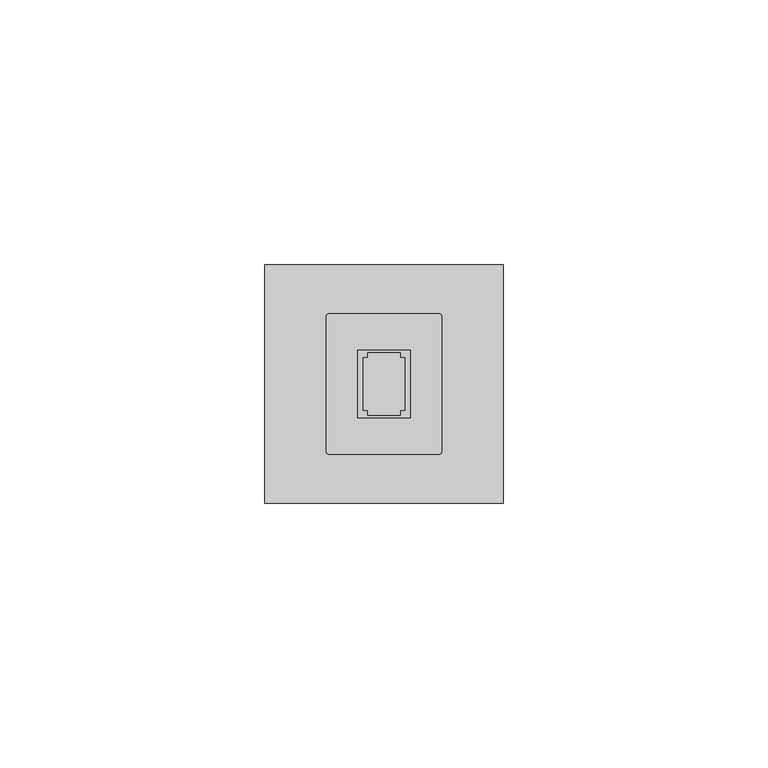
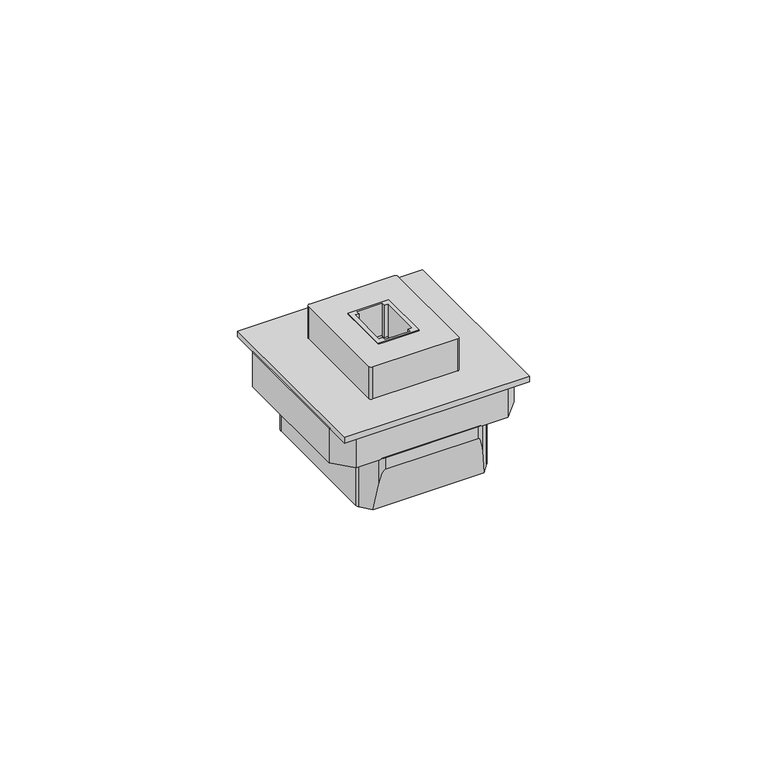
"""IFC4 building model written with IfcOpenShell, lengths in millimetres: proxy geometry."""

from ifc_helpers import new_model, si_unit, point, frame, frame_2d, origin, origin_with_axes, place, context, project, spatial, polyline, circle_curve, ellipse_curve, trimmed, segment, composite_curve, outline, extrude, source, transform, mapped, element, save
from ifc_brep_helpers import plane_surface, cylinder_surface, advanced_brep


def electrical_fixtures_430fafd6(model_context):
    return source(origin(), model_context, "Body", "SolidModel", [
        extrude(outline(polyline([(27.448899, 28.8841401), (27.448899, 16.1158599), (17.551101, 16.1158599), (17.551101, 28.8841401), (27.448899, 28.8841401)]), holes=[polyline([(19.4303416, 28.3841401), (19.4303416, 27.5), (18.551101, 27.5), (18.551101, 17.5), (19.4303416, 17.5), (19.4303416, 16.6158599), (25.5696584, 16.6158599), (25.5696584, 17.5), (26.448899, 17.5), (26.448899, 27.5), (25.5696584, 27.5), (25.5696584, 28.3841401), (19.4303416, 28.3841401)])]), frame((0.0, 0.0, 1.5), z_axis=(0.0, 0.0, 1.0), x_axis=(1.0, 0.0, 0.0)), (0.0, 0.0, 1.0), 8.262),
        extrude(outline(composite_curve([segment(trimmed(circle_curve(frame_2d((32.7979305, 35.1979305)), 0.6020695), [point((32.7979305, 35.8))], [point((33.4, 35.1979305))], False, "CARTESIAN"), True, "CONTINUOUS"), segment(polyline([(33.4, 35.1979305), (33.4, 9.8020695)]), True, "CONTINUOUS"), segment(trimmed(circle_curve(frame_2d((32.7979305, 9.8020695)), 0.6020695), [point((33.4, 9.8020695))], [point((32.7979305, 9.2))], False, "CARTESIAN"), True, "CONTINUOUS"), segment(polyline([(32.7979305, 9.2), (12.2020695, 9.2)]), True, "CONTINUOUS"), segment(trimmed(circle_curve(frame_2d((12.2020695, 9.8020695)), 0.6020695), [point((12.2020695, 9.2))], [point((11.6, 9.8020695))], False, "CARTESIAN"), True, "CONTINUOUS"), segment(polyline([(11.6, 9.8020695), (11.6, 35.1979305)]), True, "CONTINUOUS"), segment(trimmed(circle_curve(frame_2d((12.2020695, 35.1979305)), 0.6020695), [point((11.6, 35.1979305))], [point((12.2020695, 35.8))], False, "CARTESIAN"), True, "CONTINUOUS"), segment(polyline([(12.2020695, 35.8), (32.7979305, 35.8)]), True, "CONTINUOUS")], self_intersect=False), holes=[polyline([(27.448899, 28.8841401), (17.551101, 28.8841401), (17.551101, 16.1158599), (27.448899, 16.1158599), (27.448899, 28.8841401)])]), frame((0.0, 0.0, 1.5), z_axis=(0.0, 0.0, 1.0), x_axis=(1.0, 0.0, 0.0)), (0.0, 0.0, 1.0), 8.262),
        advanced_brep(
        [(35.998788, 41.4137216, -22.4), (9.001212, 41.4137216, -22.4), (9.8996058, 42.3090883, -15.8729971), (11.2558625, 42.8516432, -11.917905), (33.7441375, 42.8516432, -11.917905), (35.1003942, 42.3090883, -15.8729971), (38.0791145, 38.9801677, -22.4), (38.325823, 38.2481666, -22.4), (38.325823, 6.7518334, -22.4), (38.0791145, 6.0198323, -22.4), (35.998788, 3.5862784, -22.4), (9.001212, 3.5862784, -22.4), (6.9208855, 6.0198323, -22.4), (6.674177, 6.7518334, -22.4), (6.674177, 38.2481666, -22.4), (6.9208855, 38.9801677, -22.4), (35.1003942, 2.6909117, -15.8729971), (33.7441375, 2.1483568, -11.917905), (11.2558625, 2.1483568, -11.917905), (9.8996058, 2.6909117, -15.8729971), (6.9208855, 38.9801677, -8.9515322), (6.674177, 38.2481666, -8.9515322), (6.674177, 6.7518334, -8.9515322), (6.9208855, 6.0198323, -8.9515322), (9.8996058, 2.6909117, -8.9515322), (11.2558625, 2.1483568, -8.9515322), (33.7441375, 2.1483568, -8.9515322), (35.1003942, 2.6909117, -8.9515322), (38.0791145, 6.0198323, -8.9515322), (38.325823, 6.7518334, -8.9515322), (38.325823, 38.2481666, -8.9515322), (38.0791145, 38.9801677, -8.9515322), (35.1003942, 42.3090883, -8.9515322), (33.7441375, 42.8516432, -8.9515322), (11.2558625, 42.8516432, -8.9515322), (9.8996058, 42.3090883, -8.9515322)],
        [
            (0, 1),
            (1, 2, ellipse_curve(frame((29.2285709, 22.0163771, -163.8018641), z_axis=(0.0, 0.9907217279298045, -0.13590606243940162), x_axis=(0.0, 0.13590606243940162, 0.9907217279298045)), 206.2089223, 28.0250427)),
            (2, 3, ellipse_curve(frame((11.2558625, 40.8852084, -26.2527309), z_axis=(0.0, 0.9907217279298045, -0.13590606243940162), x_axis=(0.0, 0.13590606243940162, 0.9907217279298045)), 14.4690739, 1.9664349)),
            (3, 4),
            (4, 5, ellipse_curve(frame((33.7441375, 40.8852084, -26.2527309), z_axis=(0.0, 0.9907217279298045, -0.13590606243940162), x_axis=(0.0, 0.13590606243940162, 0.9907217279298045)), 14.4690739, 1.9664349)),
            (5, 0, ellipse_curve(frame((15.7714291, 22.0163771, -163.8018641), z_axis=(0.0, 0.9907217279298045, -0.13590606243940162), x_axis=(0.0, 0.13590606243940162, 0.9907217279298045)), 206.2089223, 28.0250427)),
            (0, 6, circle_curve(frame((15.7714291, 22.0163771, -22.4), z_axis=(0.0, 0.0, -1.0), x_axis=(1.0, 0.0, 0.0)), 28.0250427)),
            (6, 7, circle_curve(frame((37.1165201, 38.2481666, -22.4), z_axis=(0.0, 0.0, -1.0), x_axis=(1.0, 0.0, 0.0)), 1.2093029)),
            (7, 8),
            (8, 9, circle_curve(frame((37.1165201, 6.7518334, -22.4), z_axis=(0.0, 0.0, -1.0), x_axis=(1.0, 0.0, 0.0)), 1.2093029)),
            (9, 10, circle_curve(frame((15.7714291, 22.9836229, -22.4), z_axis=(0.0, 0.0, -1.0), x_axis=(1.0, 0.0, 0.0)), 28.0250427)),
            (10, 11),
            (11, 12, circle_curve(frame((29.2285709, 22.9836229, -22.4), z_axis=(0.0, 0.0, -1.0), x_axis=(1.0, 0.0, 0.0)), 28.0250427)),
            (12, 13, circle_curve(frame((7.8834799, 6.7518334, -22.4), z_axis=(0.0, 0.0, -1.0), x_axis=(1.0, 0.0, 0.0)), 1.2093029)),
            (13, 14),
            (14, 15, circle_curve(frame((7.8834799, 38.2481666, -22.4), z_axis=(0.0, 0.0, -1.0), x_axis=(1.0, 0.0, 0.0)), 1.2093029)),
            (15, 1, circle_curve(frame((29.2285709, 22.0163771, -22.4), z_axis=(0.0, 0.0, -1.0), x_axis=(1.0, 0.0, 0.0)), 28.0250427)),
            (10, 16, ellipse_curve(frame((15.7714291, 22.9836229, -163.8018641), z_axis=(0.0, -0.9907217279298045, -0.13590606243940162), x_axis=(0.0, -0.13590606243940162, 0.9907217279298045)), 206.2089223, 28.0250427)),
            (16, 17, ellipse_curve(frame((33.7441375, 4.1147916, -26.2527309), z_axis=(0.0, -0.9907217279298045, -0.13590606243940162), x_axis=(0.0, -0.13590606243940162, 0.9907217279298045)), 14.4690739, 1.9664349)),
            (17, 18),
            (18, 19, ellipse_curve(frame((11.2558625, 4.1147916, -26.2527309), z_axis=(0.0, -0.9907217279298045, -0.13590606243940162), x_axis=(0.0, -0.13590606243940162, 0.9907217279298045)), 14.4690739, 1.9664349)),
            (19, 11, ellipse_curve(frame((29.2285709, 22.9836229, -163.8018641), z_axis=(0.0, -0.9907217279298045, -0.13590606243940162), x_axis=(0.0, -0.13590606243940162, 0.9907217279298045)), 206.2089223, 28.0250427)),
            (20, 21, circle_curve(frame((7.8834799, 38.2481666, -8.9515322), z_axis=(0.0, 0.0, 1.0), x_axis=(1.0, 0.0, 0.0)), 1.2093029)),
            (21, 22),
            (22, 23, circle_curve(frame((7.8834799, 6.7518334, -8.9515322), z_axis=(0.0, 0.0, 1.0), x_axis=(1.0, 0.0, 0.0)), 1.2093029)),
            (23, 24, circle_curve(frame((29.2285709, 22.9836229, -8.9515322), z_axis=(0.0, 0.0, 1.0), x_axis=(1.0, 0.0, 0.0)), 28.0250427)),
            (24, 25, circle_curve(frame((11.2558625, 4.1147916, -8.9515322), z_axis=(0.0, 0.0, 1.0), x_axis=(1.0, 0.0, 0.0)), 1.9664349)),
            (25, 26),
            (26, 27, circle_curve(frame((33.7441375, 4.1147916, -8.9515322), z_axis=(0.0, 0.0, 1.0), x_axis=(1.0, 0.0, 0.0)), 1.9664349)),
            (27, 28, circle_curve(frame((15.7714291, 22.9836229, -8.9515322), z_axis=(0.0, 0.0, 1.0), x_axis=(1.0, 0.0, 0.0)), 28.0250427)),
            (28, 29, circle_curve(frame((37.1165201, 6.7518334, -8.9515322), z_axis=(0.0, 0.0, 1.0), x_axis=(1.0, 0.0, 0.0)), 1.2093029)),
            (29, 30),
            (30, 31, circle_curve(frame((37.1165201, 38.2481666, -8.9515322), z_axis=(0.0, 0.0, 1.0), x_axis=(1.0, 0.0, 0.0)), 1.2093029)),
            (31, 32, circle_curve(frame((15.7714291, 22.0163771, -8.9515322), z_axis=(0.0, 0.0, 1.0), x_axis=(1.0, 0.0, 0.0)), 28.0250427)),
            (32, 33, circle_curve(frame((33.7441375, 40.8852084, -8.9515322), z_axis=(0.0, 0.0, 1.0), x_axis=(1.0, 0.0, 0.0)), 1.9664349)),
            (33, 34),
            (34, 35, circle_curve(frame((11.2558625, 40.8852084, -8.9515322), z_axis=(0.0, 0.0, 1.0), x_axis=(1.0, 0.0, 0.0)), 1.9664349)),
            (35, 20, circle_curve(frame((29.2285709, 22.0163771, -8.9515322), z_axis=(0.0, 0.0, 1.0), x_axis=(1.0, 0.0, 0.0)), 28.0250427)),
            (20, 15),
            (14, 21),
            (13, 22),
            (12, 23),
            (19, 24),
            (18, 25),
            (17, 26),
            (16, 27),
            (9, 28),
            (8, 29),
            (7, 30),
            (6, 31),
            (5, 32),
            (4, 33),
            (3, 34),
            (2, 35),
        ],
        [
            plane_surface(frame((48.325823, 43.051884, -10.458199), z_axis=(0.0, 0.9907217279298045, -0.13590606243940162), x_axis=(-1.0, 0.0, 0.0))),
            plane_surface(frame((48.325823, 41.4137216, -22.4), z_axis=(0.0, 0.0, -1.0), x_axis=(-1.0, 0.0, 0.0))),
            plane_surface(frame((48.325823, 3.5862784, -22.4), z_axis=(0.0, -0.9907217279298045, -0.13590606243940162), x_axis=(-1.0, 0.0, 0.0))),
            plane_surface(frame((9.0927828, 38.2481666, -8.9515322), z_axis=(0.0, 0.0, 1.0), x_axis=(0.0, 1.0, 0.0))),
            cylinder_surface(frame((7.8834799, 38.2481666, -24.6572101), z_axis=(0.0, 0.0, 1.0), x_axis=(1.0, 0.0, 0.0)), 1.2093029),
            plane_surface(frame((6.674177, 38.2481666, -8.9515322), z_axis=(-1.0, 0.0, 0.0), x_axis=(0.0, 0.0, -1.0))),
            cylinder_surface(frame((7.8834799, 6.7518334, -24.6572101), z_axis=(0.0, 0.0, 1.0), x_axis=(1.0, 0.0, 0.0)), 1.2093029),
            cylinder_surface(frame((29.2285709, 22.9836229, -24.6572101), z_axis=(0.0, 0.0, 1.0), x_axis=(1.0, 0.0, 0.0)), 28.0250427),
            cylinder_surface(frame((11.2558625, 4.1147916, -24.6572101), z_axis=(0.0, 0.0, 1.0), x_axis=(1.0, 0.0, 0.0)), 1.9664349),
            plane_surface(frame((11.2558625, 2.1483568, -8.9515322), z_axis=(0.0, -1.0, 0.0), x_axis=(0.0, 0.0, -1.0))),
            cylinder_surface(frame((33.7441375, 4.1147916, -24.6572101), z_axis=(0.0, 0.0, 1.0), x_axis=(1.0, 0.0, 0.0)), 1.9664349),
            cylinder_surface(frame((15.7714291, 22.9836229, -24.6572101), z_axis=(0.0, 0.0, 1.0), x_axis=(1.0, 0.0, 0.0)), 28.0250427),
            cylinder_surface(frame((37.1165201, 6.7518334, -24.6572101), z_axis=(0.0, 0.0, 1.0), x_axis=(1.0, 0.0, 0.0)), 1.2093029),
            plane_surface(frame((38.325823, 6.7518334, -8.9515322), z_axis=(1.0, 0.0, 0.0), x_axis=(0.0, 0.0, -1.0))),
            cylinder_surface(frame((37.1165201, 38.2481666, -24.6572101), z_axis=(0.0, 0.0, 1.0), x_axis=(1.0, 0.0, 0.0)), 1.2093029),
            cylinder_surface(frame((15.7714291, 22.0163771, -24.6572101), z_axis=(0.0, 0.0, 1.0), x_axis=(1.0, 0.0, 0.0)), 28.0250427),
            cylinder_surface(frame((33.7441375, 40.8852084, -24.6572101), z_axis=(0.0, 0.0, 1.0), x_axis=(1.0, 0.0, 0.0)), 1.9664349),
            plane_surface(frame((33.7441375, 42.8516432, -8.9515322), z_axis=(0.0, 1.0, 0.0), x_axis=(0.0, 0.0, -1.0))),
            cylinder_surface(frame((11.2558625, 40.8852084, -24.6572101), z_axis=(0.0, 0.0, 1.0), x_axis=(1.0, 0.0, 0.0)), 1.9664349),
            cylinder_surface(frame((29.2285709, 22.0163771, -24.6572101), z_axis=(0.0, 0.0, 1.0), x_axis=(1.0, 0.0, 0.0)), 28.0250427),
        ],
        [
            (0, [[1, 2, 3, 4, 5, 6]]),
            (1, [[-1, 7, 8, 9, 10, 11, 12, 13, 14, 15, 16, 17]]),
            (2, [[-12, 18, 19, 20, 21, 22]]),
            (3, [[23, 24, 25, 26, 27, 28, 29, 30, 31, 32, 33, 34, 35, 36, 37, 38]]),
            (4, [[-23, 39, -16, 40]]),
            (5, [[-24, -40, -15, 41]]),
            (6, [[-25, -41, -14, 42]]),
            (7, [[-26, -42, -13, -22, 43]]),
            (8, [[-27, -43, -21, 44]]),
            (9, [[-28, -44, -20, 45]]),
            (10, [[-29, -45, -19, 46]]),
            (11, [[-30, -46, -18, -11, 47]]),
            (12, [[-31, -47, -10, 48]]),
            (13, [[-32, -48, -9, 49]]),
            (14, [[-33, -49, -8, 50]]),
            (15, [[-34, -50, -7, -6, 51]]),
            (16, [[-35, -51, -5, 52]]),
            (17, [[-36, -52, -4, 53]]),
            (18, [[-37, -53, -3, 54]]),
            (19, [[-38, -54, -2, -17, -39]]),
        ],
    ),
        extrude(outline(polyline([(40.4233692, 41.691395), (43.5607102, 38.2778876), (43.5607102, 6.8403348), (40.2277684, 3.2140087), (4.5716643, 3.2140087), (1.4392898, 6.6221124), (1.4392898, 38.2778876), (4.5766308, 41.691395), (40.4233692, 41.691395)])), frame((0.0, 0.0, -8.9515322), z_axis=(0.0, 0.0, 1.0), x_axis=(1.0, 0.0, 0.0)), (0.0, 0.0, 1.0), 1.8727111),
        extrude(outline(polyline([(40.9470004, 42.986037), (45.0, 38.5762696), (45.0, 6.4237304), (40.9470004, 2.013963), (4.0529996, 2.013963), (0.0, 6.4237304), (0.0, 38.5762696), (4.0529996, 42.986037), (40.9470004, 42.986037)]), holes=[polyline([(40.4233692, 41.691395), (4.5766308, 41.691395), (1.4392898, 38.2778876), (1.4392898, 6.6221124), (4.5716643, 3.2140087), (40.2277684, 3.2140087), (43.5607102, 6.8403348), (43.5607102, 38.2778876), (40.4233692, 41.691395)])]), frame((0.0, 0.0, -8.9515322), z_axis=(0.0, 0.0, 1.0), x_axis=(1.0, 0.0, 0.0)), (0.0, 0.0, 1.0), 8.9515322),
        extrude(outline(polyline([(0.0, 45.0), (45.0, 45.0), (45.0, 0.0), (0.0, 0.0), (0.0, 45.0)]), holes=[polyline([(18.551101, 27.5), (18.551101, 17.5), (19.4303416, 17.5), (19.4303416, 16.6158599), (25.5696584, 16.6158599), (25.5696584, 17.5), (26.448899, 17.5), (26.448899, 27.5), (25.5696584, 27.5), (25.5696584, 28.3841401), (19.4303416, 28.3841401), (19.4303416, 27.5), (18.551101, 27.5)])]), origin_with_axes(), (0.0, 0.0, 1.0), 1.5),
    ])


if __name__ == "__main__":
    model = new_model("IFC4")
    model_context = context("Model", 3, world=origin())
    ifc_project = project(units=[si_unit("LENGTHUNIT", "METRE", prefix="MILLI")], contexts=[model_context])
    site = spatial("IfcSite", under=ifc_project)
    building = spatial("IfcBuilding", under=site)
    placement = place(None, origin())
    electrical_fixtures_shape = electrical_fixtures_430fafd6(model_context)
    element("IfcBuildingElementProxy", 1, Name="Electrical Fixtures", at=placement, inside=building, context=model_context, shape_type="MappedRepresentation", body=[
        mapped(electrical_fixtures_shape, transform((0.0, 0.0, 0.0), x_axis=(1.0, 0.0, 0.0), y_axis=(0.0, 1.0, 0.0), z_axis=(0.0, 0.0, 1.0))),
    ])
    save(model, "model.ifc")
